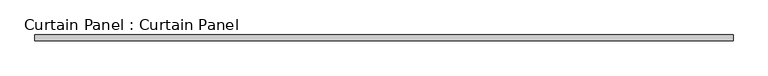
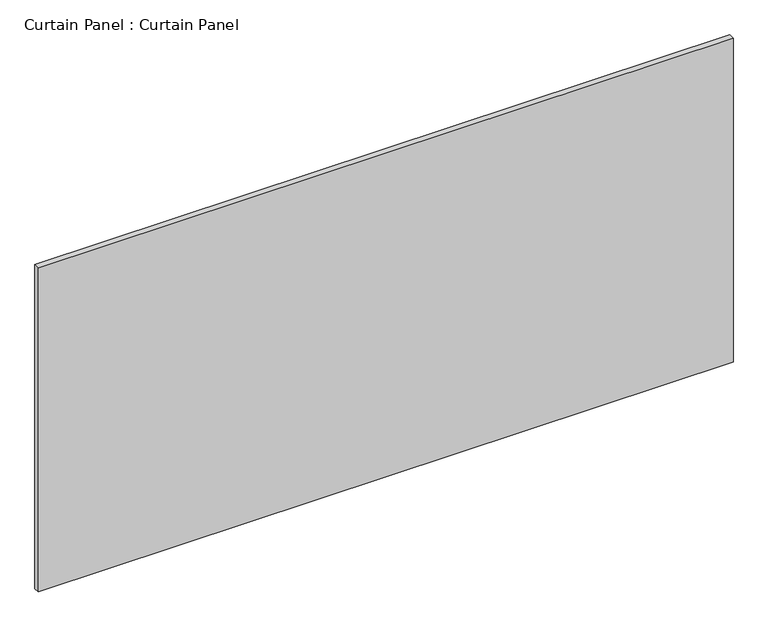
"""IFC4 building model written with IfcOpenShell, lengths in millimetres: plate geometry, Curtain Panel : Curtain Panel."""

from ifc_helpers import new_model, si_unit, frame, origin, place, context, project, spatial, polyline, outline, extrude, source, transform, mapped, element, save


def curtain_panel_curtain_panel_902e2248(model_context):
    return source(origin(), model_context, "Body", "SweptSolid", [
        extrude(outline(polyline([(-117656.3555895, -9130.4431787), (-120669.4305895, -9130.4431787), (-120669.4305895, -9105.0431787), (-117656.3555895, -9105.0431787), (-117656.3555895, -9130.4431787)])), frame((0.0, 0.0, 1593.453125), z_axis=(0.0, 0.0, 1.0), x_axis=(1.0, 0.0, 0.0)), (0.0, 0.0, 1.0), 1485.9),
    ])


if __name__ == "__main__":
    model = new_model("IFC4")
    model_context = context("Model", 3, world=origin())
    ifc_project = project(units=[si_unit("LENGTHUNIT", "METRE", prefix="MILLI")], contexts=[model_context])
    site = spatial("IfcSite", under=ifc_project)
    building = spatial("IfcBuilding", under=site)
    placement = place(None, origin())
    curtain_panel_curtain_panel_shape = curtain_panel_curtain_panel_902e2248(model_context)
    element("IfcPlate", 1, ObjectType="Curtain Panel : Curtain Panel", at=placement, inside=building, context=model_context, shape_type="MappedRepresentation", body=[
        mapped(curtain_panel_curtain_panel_shape, transform((0.0, 0.0, 0.0), x_axis=(1.0, 0.0, 0.0), y_axis=(0.0, 1.0, 0.0), z_axis=(0.0, 0.0, 1.0))),
    ])
    save(model, "model.ifc")
